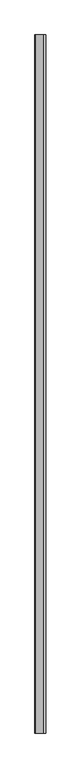
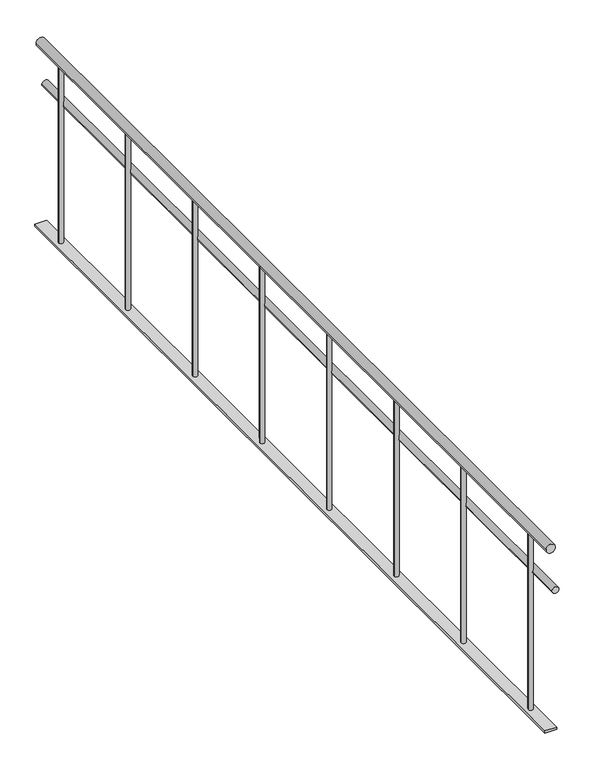
"""IFC4 building model written with IfcOpenShell, lengths in millimetres: railing geometry."""

from ifc_helpers import new_model, si_unit, point, frame, frame_2d, origin, place, context, project, spatial, polyline, circle_curve, trimmed, segment, composite_curve, outline, extrude, source, transform, mapped, element, save


def railing_d42dfe00(model_context):
    return source(origin(), model_context, "Body", "SweptSolid", [
        extrude(outline(composite_curve([segment(trimmed(circle_curve(frame_2d((880.0, 31275.0112841)), 20.0), [point((880.0, 31255.0112841))], [point((880.0, 31295.0112841))], False, "CARTESIAN"), True, "CONTINUOUS"), segment(trimmed(circle_curve(frame_2d((880.0, 31275.0112841)), 20.0), [point((880.0, 31295.0112841))], [point((880.0, 31255.0112841))], False, "CARTESIAN"), True, "CONTINUOUS")], self_intersect=False)), frame((0.0, 893.1079487, 0.0), z_axis=(0.0, 1.0, 0.0), x_axis=(0.0, 0.0, 1.0)), (0.0, 0.0, 1.0), 3800.0),
        extrude(outline(composite_curve([segment(trimmed(circle_curve(frame_2d((685.0, 31295.0112841)), 15.0), [point((685.0, 31280.0112841))], [point((685.0, 31310.0112841))], False, "CARTESIAN"), True, "CONTINUOUS"), segment(trimmed(circle_curve(frame_2d((685.0, 31295.0112841)), 15.0), [point((685.0, 31310.0112841))], [point((685.0, 31280.0112841))], False, "CARTESIAN"), True, "CONTINUOUS")], self_intersect=False)), frame((0.0, 893.1079487, 0.0), z_axis=(0.0, 1.0, 0.0), x_axis=(0.0, 0.0, 1.0)), (0.0, 0.0, 1.0), 3800.0),
        extrude(outline(polyline([(31250.0112841, 4693.1079487), (31300.0112841, 4693.1079487), (31300.0112841, 893.1079487), (31250.0112841, 893.1079487), (31250.0112841, 4693.1079487)])), frame((0.0, 0.0, 50.0), z_axis=(0.0, 0.0, 1.0), x_axis=(1.0, 0.0, 0.0)), (0.0, 0.0, 1.0), 10.0),
        extrude(outline(composite_curve([segment(trimmed(circle_curve(frame_2d((31275.0112841, 1043.1079487)), 10.0), [point((31265.0112841, 1043.1079487))], [point((31285.0112841, 1043.1079487))], False, "CARTESIAN"), True, "CONTINUOUS"), segment(trimmed(circle_curve(frame_2d((31275.0112841, 1043.1079487)), 10.0), [point((31285.0112841, 1043.1079487))], [point((31265.0112841, 1043.1079487))], False, "CARTESIAN"), True, "CONTINUOUS")], self_intersect=False)), frame((0.0, 0.0, 60.0), z_axis=(0.0, 0.0, 1.0), x_axis=(1.0, 0.0, 0.0)), (0.0, 0.0, 1.0), 800.0),
        extrude(outline(composite_curve([segment(trimmed(circle_curve(frame_2d((31275.0112841, 1543.1079487)), 10.0), [point((31265.0112841, 1543.1079487))], [point((31285.0112841, 1543.1079487))], False, "CARTESIAN"), True, "CONTINUOUS"), segment(trimmed(circle_curve(frame_2d((31275.0112841, 1543.1079487)), 10.0), [point((31285.0112841, 1543.1079487))], [point((31265.0112841, 1543.1079487))], False, "CARTESIAN"), True, "CONTINUOUS")], self_intersect=False)), frame((0.0, 0.0, 60.0), z_axis=(0.0, 0.0, 1.0), x_axis=(1.0, 0.0, 0.0)), (0.0, 0.0, 1.0), 800.0),
        extrude(outline(composite_curve([segment(trimmed(circle_curve(frame_2d((31275.0112841, 2043.1079487)), 10.0), [point((31265.0112841, 2043.1079487))], [point((31285.0112841, 2043.1079487))], False, "CARTESIAN"), True, "CONTINUOUS"), segment(trimmed(circle_curve(frame_2d((31275.0112841, 2043.1079487)), 10.0), [point((31285.0112841, 2043.1079487))], [point((31265.0112841, 2043.1079487))], False, "CARTESIAN"), True, "CONTINUOUS")], self_intersect=False)), frame((0.0, 0.0, 60.0), z_axis=(0.0, 0.0, 1.0), x_axis=(1.0, 0.0, 0.0)), (0.0, 0.0, 1.0), 800.0),
        extrude(outline(composite_curve([segment(trimmed(circle_curve(frame_2d((31275.0112841, 2543.1079487)), 10.0), [point((31265.0112841, 2543.1079487))], [point((31285.0112841, 2543.1079487))], False, "CARTESIAN"), True, "CONTINUOUS"), segment(trimmed(circle_curve(frame_2d((31275.0112841, 2543.1079487)), 10.0), [point((31285.0112841, 2543.1079487))], [point((31265.0112841, 2543.1079487))], False, "CARTESIAN"), True, "CONTINUOUS")], self_intersect=False)), frame((0.0, 0.0, 60.0), z_axis=(0.0, 0.0, 1.0), x_axis=(1.0, 0.0, 0.0)), (0.0, 0.0, 1.0), 800.0),
        extrude(outline(composite_curve([segment(trimmed(circle_curve(frame_2d((31275.0112841, 3043.1079487)), 10.0), [point((31265.0112841, 3043.1079487))], [point((31285.0112841, 3043.1079487))], False, "CARTESIAN"), True, "CONTINUOUS"), segment(trimmed(circle_curve(frame_2d((31275.0112841, 3043.1079487)), 10.0), [point((31285.0112841, 3043.1079487))], [point((31265.0112841, 3043.1079487))], False, "CARTESIAN"), True, "CONTINUOUS")], self_intersect=False)), frame((0.0, 0.0, 60.0), z_axis=(0.0, 0.0, 1.0), x_axis=(1.0, 0.0, 0.0)), (0.0, 0.0, 1.0), 800.0),
        extrude(outline(composite_curve([segment(trimmed(circle_curve(frame_2d((31275.0112841, 3543.1079487)), 10.0), [point((31265.0112841, 3543.1079487))], [point((31285.0112841, 3543.1079487))], False, "CARTESIAN"), True, "CONTINUOUS"), segment(trimmed(circle_curve(frame_2d((31275.0112841, 3543.1079487)), 10.0), [point((31285.0112841, 3543.1079487))], [point((31265.0112841, 3543.1079487))], False, "CARTESIAN"), True, "CONTINUOUS")], self_intersect=False)), frame((0.0, 0.0, 60.0), z_axis=(0.0, 0.0, 1.0), x_axis=(1.0, 0.0, 0.0)), (0.0, 0.0, 1.0), 800.0),
        extrude(outline(composite_curve([segment(trimmed(circle_curve(frame_2d((31275.0112841, 4043.1079487)), 10.0), [point((31265.0112841, 4043.1079487))], [point((31285.0112841, 4043.1079487))], False, "CARTESIAN"), True, "CONTINUOUS"), segment(trimmed(circle_curve(frame_2d((31275.0112841, 4043.1079487)), 10.0), [point((31285.0112841, 4043.1079487))], [point((31265.0112841, 4043.1079487))], False, "CARTESIAN"), True, "CONTINUOUS")], self_intersect=False)), frame((0.0, 0.0, 60.0), z_axis=(0.0, 0.0, 1.0), x_axis=(1.0, 0.0, 0.0)), (0.0, 0.0, 1.0), 800.0),
        extrude(outline(composite_curve([segment(trimmed(circle_curve(frame_2d((31275.0112841, 4543.1079487)), 10.0), [point((31265.0112841, 4543.1079487))], [point((31285.0112841, 4543.1079487))], False, "CARTESIAN"), True, "CONTINUOUS"), segment(trimmed(circle_curve(frame_2d((31275.0112841, 4543.1079487)), 10.0), [point((31285.0112841, 4543.1079487))], [point((31265.0112841, 4543.1079487))], False, "CARTESIAN"), True, "CONTINUOUS")], self_intersect=False)), frame((0.0, 0.0, 60.0), z_axis=(0.0, 0.0, 1.0), x_axis=(1.0, 0.0, 0.0)), (0.0, 0.0, 1.0), 800.0),
    ])


if __name__ == "__main__":
    model = new_model("IFC4")
    model_context = context("Model", 3, world=origin())
    ifc_project = project(units=[si_unit("LENGTHUNIT", "METRE", prefix="MILLI")], contexts=[model_context])
    site = spatial("IfcSite", under=ifc_project)
    building = spatial("IfcBuilding", under=site)
    placement = place(None, origin())
    railing_shape = railing_d42dfe00(model_context)
    element("IfcRailing", 1, at=placement, inside=building, context=model_context, shape_type="MappedRepresentation", body=[
        mapped(railing_shape, transform((0.0, 0.0, 0.0), x_axis=(1.0, 0.0, 0.0), y_axis=(0.0, 1.0, 0.0), z_axis=(0.0, 0.0, 1.0))),
    ])
    save(model, "model.ifc")
